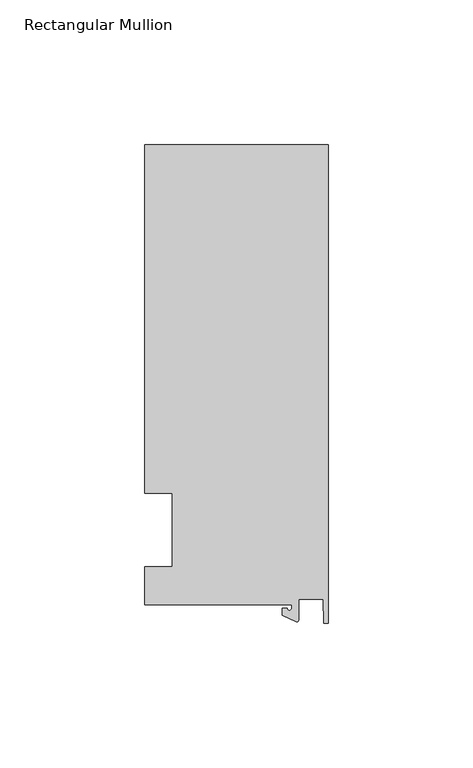
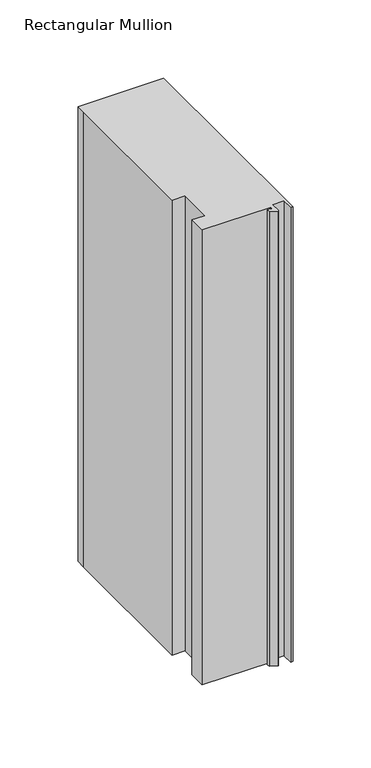
"""IFC4 building model written with IfcOpenShell, lengths in millimetres: member geometry, Rectangular Mullion."""

from ifc_helpers import new_model, si_unit, point, frame, frame_2d, origin, place, context, project, spatial, polyline, circle_curve, trimmed, segment, composite_curve, outline, extrude, source, transform, mapped, element, save


def rectangular_mullion_68860cc9(model_context):
    return source(origin(), model_context, "Body", "SweptSolid", [
        extrude(outline(composite_curve([segment(polyline([(-12.6173814, -25.796875), (-63.5, -25.796875), (-63.5, -12.7), (-53.975, -12.7), (-53.975, 12.7), (-63.5, 12.7), (-63.5, 125.8114907), (-63.5, 133.34365), (0.0, 133.34365), (0.0, -32.288874), (-1.5658966, -32.288874), (-1.7144124, -23.9227662), (-10.2297814, -23.9227662), (-10.2297814, -31.2414327)]), True, "CONTINUOUS"), segment(trimmed(circle_curve(frame_2d((-10.7377814, -31.2414327)), 0.508), [point((-10.2297814, -31.2414327))], [point((-10.9524715, -31.7018371))], False, "CARTESIAN"), True, "CONTINUOUS"), segment(polyline([(-10.9524715, -31.7018371), (-15.7923814, -29.44495), (-15.7923814, -27.0827507), (-14.2048814, -27.0827507)]), True, "CONTINUOUS"), segment(trimmed(circle_curve(frame_2d((-13.4111314, -27.0827507)), 0.79375), [point((-14.2048814, -27.0827507))], [point((-12.6173814, -27.0827507))], True, "CARTESIAN"), True, "CONTINUOUS"), segment(polyline([(-12.6173814, -27.0827507), (-12.6173814, -25.796875)]), True, "CONTINUOUS")], self_intersect=False)), frame((0.0, 0.0, -355.6), z_axis=(0.0, 0.0, 1.0), x_axis=(1.0, 0.0, 0.0)), (0.0, 0.0, 1.0), 355.6),
    ])


if __name__ == "__main__":
    model = new_model("IFC4")
    model_context = context("Model", 3, world=origin())
    ifc_project = project(units=[si_unit("LENGTHUNIT", "METRE", prefix="MILLI")], contexts=[model_context])
    site = spatial("IfcSite", under=ifc_project)
    building = spatial("IfcBuilding", under=site)
    placement = place(None, origin())
    rectangular_mullion_shape = rectangular_mullion_68860cc9(model_context)
    element("IfcMember", 1, ObjectType="Rectangular Mullion", at=placement, inside=building, context=model_context, shape_type="MappedRepresentation", body=[
        mapped(rectangular_mullion_shape, transform((0.0, 0.0, 0.0), x_axis=(1.0, 0.0, 0.0), y_axis=(0.0, 1.0, 0.0), z_axis=(0.0, 0.0, 1.0))),
    ])
    save(model, "model.ifc")
